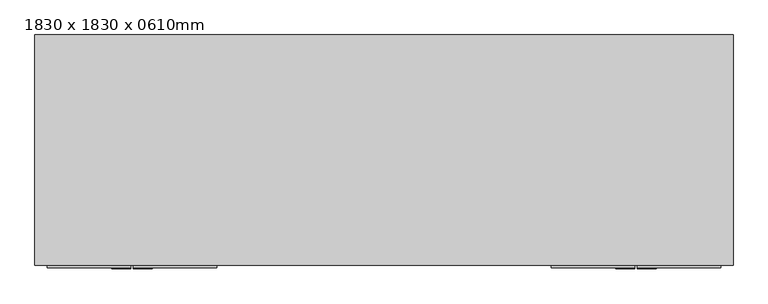
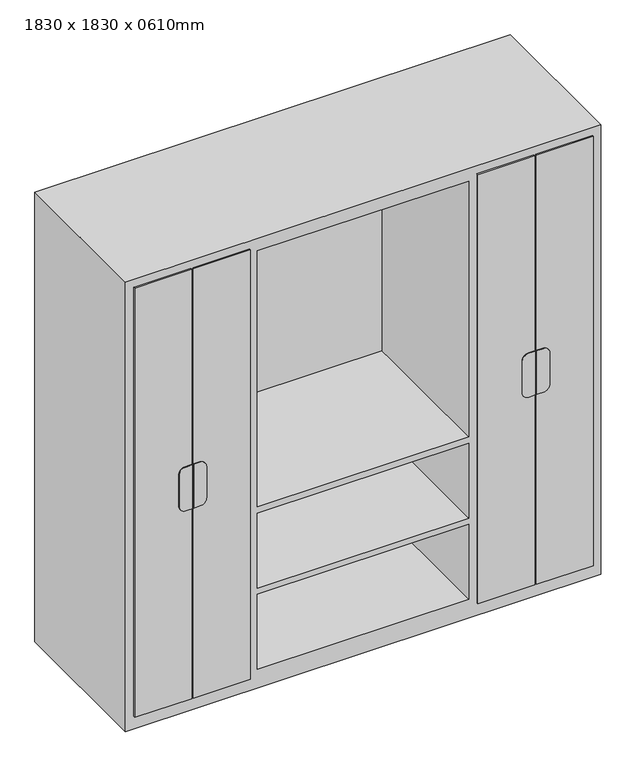
"""IFC4 building model written with IfcOpenShell, lengths in millimetres: furniture geometry, 1830 x 1830 x 0610mm."""

import ifcopenshell
import ifcopenshell.guid

model = None  # the IFC model being written
_history = None  # IfcOwnerHistory: only IFC2X3 demands one
_inside = {}  # id of a spatial element -> (the spatial element, [elements in it])
_under = {}  # id of a project, library or spatial element -> (it, [spatial elements below it])
_declared = {}  # id of a project -> (the project, [libraries it declares])
_typed = {}  # id of a type object -> (the type object, [elements of that type])
_made_of = {}  # id of a material, layer set ... -> (it, [elements and type objects made of it])


def new_model(schema):
    """Start an empty IFC model of exactly this schema.

    Asked for "IFC4X3", IfcOpenShell would pick the latest addendum, in which some entities
    have other attributes; the version numbers below select the first issue.
    IFC2X3 requires an IfcOwnerHistory on every rooted entity: one is made here for all.
    """
    global model, _history
    if schema == "IFC4X3":
        model = ifcopenshell.file(schema_version=(4, 3, 0, 0))
    else:
        model = ifcopenshell.file(schema=schema)
    _inside.clear()
    _under.clear()
    _declared.clear()
    _typed.clear()
    _made_of.clear()
    _history = None
    if model.schema == "IFC2X3":
        org = make("IfcOrganization", Name="unknown")
        user = make(
            "IfcPersonAndOrganization",
            ThePerson=make("IfcPerson", FamilyName="unknown"),
            TheOrganization=org,
        )
        app = make(
            "IfcApplication",
            ApplicationDeveloper=org,
            Version="unknown",
            ApplicationFullName="unknown",
            ApplicationIdentifier="unknown",
        )
        _history = make(
            "IfcOwnerHistory",
            OwningUser=user,
            OwningApplication=app,
            ChangeAction="ADDED",
            CreationDate=0,
        )
    return model


def make(cls, **values):
    """One entity of the class cls with the attributes given. An attribute that is None is left unset."""
    return model.create_entity(
        cls, **{name: value for name, value in values.items() if value is not None}
    )


def rooted(cls, **values):
    """An entity with a GlobalId (a new one), such as an element, a storey or a relation."""
    return make(cls, GlobalId=ifcopenshell.guid.new(), OwnerHistory=_history, **values)


def si_unit(unit_type, name, prefix=None):
    """IfcSIUnit, for example si_unit("LENGTHUNIT", "METRE", prefix="MILLI")."""
    return make("IfcSIUnit", UnitType=unit_type, Prefix=prefix, Name=name)


def assignment(units):
    """IfcUnitAssignment: the units of a project."""
    return None if units is None else make("IfcUnitAssignment", Units=units)


def point(xyz):
    """IfcCartesianPoint."""
    return None if xyz is None else make("IfcCartesianPoint", Coordinates=xyz)


def direction(xyz):
    """IfcDirection."""
    return None if xyz is None else make("IfcDirection", DirectionRatios=xyz)


def frame(location, z_axis=None, x_axis=None):
    """IfcAxis2Placement3D, a coordinate frame: its origin and axes. An axis left out is left unset."""
    return make(
        "IfcAxis2Placement3D",
        Location=point(location),
        Axis=direction(z_axis),
        RefDirection=direction(x_axis),
    )


def frame_2d(location, x_axis=None):
    """IfcAxis2Placement2D, a coordinate frame in the plane: its origin and x axis."""
    return make(
        "IfcAxis2Placement2D", Location=point(location), RefDirection=direction(x_axis)
    )


def origin():
    """The frame at (0, 0, 0) with its axes left unset."""
    return frame((0.0, 0.0, 0.0))


def place(relative_to, where):
    """IfcLocalPlacement: puts the frame where relative to a parent placement (None: the world)."""
    return make(
        "IfcLocalPlacement", PlacementRelTo=relative_to, RelativePlacement=where
    )


def context(
    kind, dimensions, precision=None, world=None, true_north=None, identifier=None
):
    """IfcGeometricRepresentationContext, for example the 3D "Model" context."""
    return make(
        "IfcGeometricRepresentationContext",
        ContextIdentifier=identifier,
        ContextType=kind,
        CoordinateSpaceDimension=dimensions,
        Precision=precision,
        WorldCoordinateSystem=world,
        TrueNorth=true_north,
    )


def project(units=None, contexts=None):
    """IfcProject with its units and contexts."""
    return rooted(
        "IfcProject",
        Name="project",
        RepresentationContexts=contexts,
        UnitsInContext=assignment(units),
    )


def spatial(cls, under=None, at=None, **own):
    """A site, building, storey or space (cls), placed at a placement, below another one or the project."""
    s = rooted(cls, ObjectPlacement=at, **own)
    if under is not None:
        _under.setdefault(under.id(), (under, []))[1].append(s)
    return s


def polyline(points):
    """IfcPolyline through the points."""
    return make("IfcPolyline", Points=[point(p) for p in points])


def circle_curve(where, radius):
    """IfcCircle in the frame where."""
    return make("IfcCircle", Position=where, Radius=radius)


def trimmed(basis, trim1, trim2, sense, master):
    """IfcTrimmedCurve: the piece of a basis curve between two trims."""
    return make(
        "IfcTrimmedCurve",
        BasisCurve=basis,
        Trim1=trim1,
        Trim2=trim2,
        SenseAgreement=sense,
        MasterRepresentation=master,
    )


def segment(curve, same_sense, transition):
    """IfcCompositeCurveSegment."""
    return make(
        "IfcCompositeCurveSegment",
        Transition=transition,
        SameSense=same_sense,
        ParentCurve=curve,
    )


def composite_curve(segments, self_intersect=None):
    """IfcCompositeCurve: segments joined end to end."""
    return make("IfcCompositeCurve", Segments=segments, SelfIntersect=self_intersect)


def outline(outer, holes=None, kind="AREA"):
    """IfcArbitraryClosedProfileDef: a profile drawn as a closed curve; with holes, ...WithVoids."""
    if holes is None:
        return make("IfcArbitraryClosedProfileDef", ProfileType=kind, OuterCurve=outer)
    return make(
        "IfcArbitraryProfileDefWithVoids",
        ProfileType=kind,
        OuterCurve=outer,
        InnerCurves=holes,
    )


def extrude(swept, where, along, depth):
    """IfcExtrudedAreaSolid: the profile swept, set in the frame where, extruded along a direction by depth."""
    return make(
        "IfcExtrudedAreaSolid",
        SweptArea=swept,
        Position=where,
        ExtrudedDirection=direction(along),
        Depth=depth,
    )


def faces_of(points, faces, orient=None, outer=None):
    """IfcFace entities. A face is a list of loops; a loop is a list of indices into points, from 0.

    orient and outer hold one flag for each loop. By default every Orientation is true, the
    first loop of a face is its IfcFaceOuterBound and the others are IfcFaceBound.
    """
    made = []
    for i, loops in enumerate(faces):
        bounds = []
        for j, loop in enumerate(loops):
            is_outer = j == 0 if outer is None else outer[i][j]
            bounds.append(
                make(
                    "IfcFaceOuterBound" if is_outer else "IfcFaceBound",
                    Bound=make("IfcPolyLoop", Polygon=[points[k] for k in loop]),
                    Orientation=True if orient is None else orient[i][j],
                )
            )
        made.append(make("IfcFace", Bounds=bounds))
    return made


def faceted_brep(points, faces, orient=None, outer=None, voids=None):
    """IfcFacetedBrep: a solid bounded by flat faces; with voids (closed shells), ...WithVoids."""
    shared = [point(p) for p in points]
    hull = make("IfcClosedShell", CfsFaces=faces_of(shared, faces, orient, outer))
    if voids is None:
        return make("IfcFacetedBrep", Outer=hull)
    return make(
        "IfcFacetedBrepWithVoids",
        Outer=hull,
        Voids=[
            make(cls, CfsFaces=faces_of(shared, fs, o, b)) for cls, fs, o, b in voids
        ],
    )


def shape(context_of_items, identifier, shape_type, items):
    """IfcShapeRepresentation: the items that make up one representation, for example the "Body"."""
    return make(
        "IfcShapeRepresentation",
        ContextOfItems=context_of_items,
        RepresentationIdentifier=identifier,
        RepresentationType=shape_type,
        Items=items,
    )


def source(mapping_origin, context_of_items, identifier, shape_type, items):
    """IfcRepresentationMap: a shape defined once, which mapped items show again and again."""
    return make(
        "IfcRepresentationMap",
        MappingOrigin=mapping_origin,
        MappedRepresentation=shape(context_of_items, identifier, shape_type, items),
    )


def transform(
    local_origin,
    x_axis=None,
    y_axis=None,
    z_axis=None,
    scale=None,
    scale2=None,
    scale3=None,
    uniform=True,
):
    """IfcCartesianTransformationOperator3D, or its non-uniform kind. x_axis, y_axis, z_axis: its Axis1, 2, 3."""
    if uniform:
        return make(
            "IfcCartesianTransformationOperator3D",
            Axis1=direction(x_axis),
            Axis2=direction(y_axis),
            LocalOrigin=point(local_origin),
            Scale=scale,
            Axis3=direction(z_axis),
        )
    return make(
        "IfcCartesianTransformationOperator3DnonUniform",
        Axis1=direction(x_axis),
        Axis2=direction(y_axis),
        LocalOrigin=point(local_origin),
        Scale=scale,
        Axis3=direction(z_axis),
        Scale2=scale2,
        Scale3=scale3,
    )


def mapped(mapping_source, mapping_target):
    """IfcMappedItem: shows the shape of a source again, moved by a transform."""
    return make(
        "IfcMappedItem", MappingSource=mapping_source, MappingTarget=mapping_target
    )


def made_of(thing, what):
    """Note that an element or type object is made of a material, layer set ...; save() writes the relation."""
    if what is not None:
        _made_of.setdefault(what.id(), (what, []))[1].append(thing)
    return thing


def element(
    cls,
    number,
    at=None,
    inside=None,
    cuts=None,
    type_object=None,
    material=None,
    context=None,
    identifier="Body",
    shape_type=None,
    held_by="IfcProductDefinitionShape",
    body=None,
    shapes=None,
    **own,
):
    """One element of the class cls, such as IfcWall. Its Tag is "e" and its number.

    at: its placement. inside: the storey or other place that contains it. cuts: it is an
    opening in that element (IfcRelVoidsElement). A single representation is given by context,
    identifier, shape_type and body (its items); several are given by shapes. held_by: the class
    of the entity that holds the representations. save() writes the other relations.
    """
    e = rooted(cls, Tag="e%d" % number, ObjectPlacement=at, **own)
    if body is not None:
        shapes = [shape(context, identifier, shape_type, body)]
    if shapes is not None:
        e.Representation = make(held_by, Representations=shapes)
    if inside is not None:
        _inside.setdefault(inside.id(), (inside, []))[1].append(e)
    if cuts is not None:
        rooted(
            "IfcRelVoidsElement", RelatingBuildingElement=cuts, RelatedOpeningElement=e
        )
    if type_object is not None:
        _typed.setdefault(type_object.id(), (type_object, []))[1].append(e)
    return made_of(e, material)


def aggregate(whole, parts):
    """IfcRelAggregates: a whole, such as a stair, and the parts it consists of."""
    return rooted("IfcRelAggregates", RelatingObject=whole, RelatedObjects=parts)


def save(model, path):
    """Write the relations noted so far, then the file.

    IfcRelAggregates (storeys below a building ...), IfcRelContainedInSpatialStructure (elements
    in a storey), IfcRelDefinesByType, IfcRelAssociatesMaterial and IfcRelDeclares: one each for
    every whole, place, type object, material and project.
    """
    for whole, parts in _under.values():
        aggregate(whole, parts)
    for where, things in _inside.values():
        rooted(
            "IfcRelContainedInSpatialStructure",
            RelatedElements=things,
            RelatingStructure=where,
        )
    for kind, things in _typed.values():
        rooted("IfcRelDefinesByType", RelatedObjects=things, RelatingType=kind)
    for what, things in _made_of.values():
        rooted("IfcRelAssociatesMaterial", RelatedObjects=things, RelatingMaterial=what)
    for by, libraries in _declared.values():
        rooted("IfcRelDeclares", RelatingContext=by, RelatedDefinitions=libraries)
    model.write(path)


def furniture_1830_x_1830_x_0610mm_f77a9b93(model_context):
    return source(origin(), model_context, "Body", "SolidModel", [
        faceted_brep([(915.0, -705.05, 0.0), (915.0, -705.05, 1830.0), (-915.0, -705.05, 1830.0), (-915.0, -705.05, 0.0), (-457.3, -705.05, 1779.2), (-457.3, -705.05, 1385.2), (-864.2, -705.05, 1385.2), (-864.2, -705.05, 1779.2), (-457.3, -705.05, 76.2), (-864.2, -705.05, 76.2), (-864.2, -705.05, 444.8), (-457.3, -705.05, 444.8), (864.2, -705.05, 1385.2), (457.3, -705.05, 1385.2), (457.3, -705.05, 1779.2), (864.2, -705.05, 1779.2), (-406.5, -705.05, 737.2), (-406.5, -705.05, 1779.2), (406.5, -705.05, 1779.2), (406.5, -705.05, 737.2), (406.5, -705.05, 76.2), (-406.5, -705.05, 76.2), (-406.5, -705.05, 381.3), (406.5, -705.05, 381.3), (864.2, -705.05, 76.2), (457.3, -705.05, 76.2), (457.3, -705.05, 444.8), (864.2, -705.05, 444.8), (-864.2, -705.05, 470.2), (-864.2, -705.05, 902.3), (-457.3, -705.05, 902.3), (-457.3, -705.05, 470.2), (-457.3, -705.05, 1359.8), (-457.3, -705.05, 927.7), (-864.2, -705.05, 927.7), (-864.2, -705.05, 1359.8), (457.3, -705.05, 1359.8), (864.2, -705.05, 1359.8), (864.2, -705.05, 927.7), (457.3, -705.05, 927.7), (457.3, -705.05, 902.3), (864.2, -705.05, 902.3), (864.2, -705.05, 470.2), (457.3, -705.05, 470.2), (406.5, -705.05, 406.7), (-406.5, -705.05, 406.7), (-406.5, -705.05, 711.8), (406.5, -705.05, 711.8), (915.0, -101.4, 0.0), (-915.0, -101.4, 0.0), (-915.0, -101.4, 1830.0), (915.0, -101.4, 1830.0), (-457.3, -126.8, 1779.2), (-457.3, -126.8, 1385.2), (-864.2, -126.8, 1385.2), (-864.2, -126.8, 1779.2), (-457.3, -126.8, 76.2), (-864.2, -126.8, 76.2), (-864.2, -126.8, 444.8), (-457.3, -126.8, 444.8), (864.2, -126.8, 1385.2), (457.3, -126.8, 1385.2), (457.3, -126.8, 1779.2), (864.2, -126.8, 1779.2), (-406.5, -126.8, 737.2), (-406.5, -126.8, 1779.2), (406.5, -126.8, 1779.2), (406.5, -126.8, 737.2), (406.5, -126.8, 76.2), (-406.5, -126.8, 76.2), (-406.5, -126.8, 381.3), (406.5, -126.8, 381.3), (864.2, -126.8, 76.2), (457.3, -126.8, 76.2), (457.3, -126.8, 444.8), (864.2, -126.8, 444.8), (-864.2, -126.8, 470.2), (-864.2, -126.8, 902.3), (-457.3, -126.8, 902.3), (-457.3, -126.8, 470.2), (-457.3, -126.8, 1359.8), (-457.3, -126.8, 927.7), (-864.2, -126.8, 927.7), (-864.2, -126.8, 1359.8), (457.3, -126.8, 1359.8), (864.2, -126.8, 1359.8), (864.2, -126.8, 927.7), (457.3, -126.8, 927.7), (457.3, -126.8, 902.3), (864.2, -126.8, 902.3), (864.2, -126.8, 470.2), (457.3, -126.8, 470.2), (406.5, -126.8, 406.7), (-406.5, -126.8, 406.7), (-406.5, -126.8, 711.8), (406.5, -126.8, 711.8)], [[[0, 1, 2, 3], [4, 5, 6, 7], [8, 9, 10, 11], [12, 13, 14, 15], [16, 17, 18, 19], [20, 21, 22, 23], [24, 25, 26, 27], [28, 29, 30, 31], [32, 33, 34, 35], [36, 37, 38, 39], [40, 41, 42, 43], [44, 45, 46, 47]], [[48, 49, 50, 51]], [[1, 0, 48, 51]], [[2, 1, 51, 50]], [[3, 2, 50, 49]], [[0, 3, 49, 48]], [[5, 4, 52, 53]], [[6, 5, 53, 54]], [[7, 6, 54, 55]], [[4, 7, 55, 52]], [[9, 8, 56, 57]], [[10, 9, 57, 58]], [[11, 10, 58, 59]], [[8, 11, 59, 56]], [[13, 12, 60, 61]], [[14, 13, 61, 62]], [[15, 14, 62, 63]], [[12, 15, 63, 60]], [[17, 16, 64, 65]], [[18, 17, 65, 66]], [[19, 18, 66, 67]], [[16, 19, 67, 64]], [[21, 20, 68, 69]], [[22, 21, 69, 70]], [[23, 22, 70, 71]], [[20, 23, 71, 68]], [[25, 24, 72, 73]], [[26, 25, 73, 74]], [[27, 26, 74, 75]], [[24, 27, 75, 72]], [[29, 28, 76, 77]], [[30, 29, 77, 78]], [[31, 30, 78, 79]], [[28, 31, 79, 76]], [[33, 32, 80, 81]], [[34, 33, 81, 82]], [[35, 34, 82, 83]], [[32, 35, 83, 80]], [[37, 36, 84, 85]], [[38, 37, 85, 86]], [[39, 38, 86, 87]], [[36, 39, 87, 84]], [[41, 40, 88, 89]], [[42, 41, 89, 90]], [[43, 42, 90, 91]], [[40, 43, 91, 88]], [[45, 44, 92, 93]], [[46, 45, 93, 94]], [[47, 46, 94, 95]], [[44, 47, 95, 92]], [[53, 52, 55, 54]], [[57, 56, 59, 58]], [[61, 60, 63, 62]], [[65, 64, 67, 66]], [[69, 68, 71, 70]], [[73, 72, 75, 74]], [[77, 76, 79, 78]], [[81, 80, 83, 82]], [[85, 84, 87, 86]], [[89, 88, 91, 90]], [[93, 92, 95, 94]]]),
        extrude(outline(composite_curve([segment(polyline([(1003.9, -633.3486452), (1003.9, -657.575), (826.1, -657.575), (826.1, -633.3486452)]), True, "CONTINUOUS"), segment(trimmed(circle_curve(frame_2d((851.5, -633.3486452)), 25.4), [point((826.1, -633.3486452))], [point((851.5, -607.9486452))], False, "CARTESIAN"), True, "CONTINUOUS"), segment(polyline([(851.5, -607.9486452), (978.5, -607.9486452)]), True, "CONTINUOUS"), segment(trimmed(circle_curve(frame_2d((978.5, -633.3486452)), 25.4), [point((978.5, -607.9486452))], [point((1003.9, -633.3486452))], False, "CARTESIAN"), True, "CONTINUOUS")], self_intersect=False)), frame((0.0, -714.575, 0.0), z_axis=(0.0, 1.0, 0.0), x_axis=(0.0, 0.0, 1.0)), (0.0, 0.0, 1.0), 3.175),
        extrude(outline(composite_curve([segment(trimmed(circle_curve(frame_2d((978.5, -688.53125)), 25.4), [point((1003.9, -688.53125))], [point((978.5, -713.93125))], False, "CARTESIAN"), True, "CONTINUOUS"), segment(polyline([(978.5, -713.93125), (851.5, -713.93125)]), True, "CONTINUOUS"), segment(trimmed(circle_curve(frame_2d((851.5, -688.53125)), 25.4), [point((851.5, -713.93125))], [point((826.1, -688.53125))], False, "CARTESIAN"), True, "CONTINUOUS"), segment(polyline([(826.1, -688.53125), (826.1, -663.925), (1003.9, -663.925), (1003.9, -688.53125)]), True, "CONTINUOUS")], self_intersect=False)), frame((0.0, -714.575, 0.0), z_axis=(0.0, 1.0, 0.0), x_axis=(0.0, 0.0, 1.0)), (0.0, 0.0, 1.0), 3.175),
        extrude(outline(composite_curve([segment(trimmed(circle_curve(frame_2d((978.5, 633.3486452)), 25.4), [point((1003.9, 633.3486452))], [point((978.5, 607.9486452))], False, "CARTESIAN"), True, "CONTINUOUS"), segment(polyline([(978.5, 607.9486452), (851.5, 607.9486452)]), True, "CONTINUOUS"), segment(trimmed(circle_curve(frame_2d((851.5, 633.3486452)), 25.4), [point((851.5, 607.9486452))], [point((826.1, 633.3486452))], False, "CARTESIAN"), True, "CONTINUOUS"), segment(polyline([(826.1, 633.3486452), (826.1, 657.575), (1003.9, 657.575), (1003.9, 633.3486452)]), True, "CONTINUOUS")], self_intersect=False)), frame((0.0, -714.575, 0.0), z_axis=(0.0, 1.0, 0.0), x_axis=(0.0, 0.0, 1.0)), (0.0, 0.0, 1.0), 3.175),
        extrude(outline(composite_curve([segment(polyline([(1003.9, 688.53125), (1003.9, 663.925), (826.1, 663.925), (826.1, 688.53125)]), True, "CONTINUOUS"), segment(trimmed(circle_curve(frame_2d((851.5, 688.53125)), 25.4), [point((826.1, 688.53125))], [point((851.5, 713.93125))], False, "CARTESIAN"), True, "CONTINUOUS"), segment(polyline([(851.5, 713.93125), (978.5, 713.93125)]), True, "CONTINUOUS"), segment(trimmed(circle_curve(frame_2d((978.5, 688.53125)), 25.4), [point((978.5, 713.93125))], [point((1003.9, 688.53125))], False, "CARTESIAN"), True, "CONTINUOUS")], self_intersect=False)), frame((0.0, -714.575, 0.0), z_axis=(0.0, 1.0, 0.0), x_axis=(0.0, 0.0, 1.0)), (0.0, 0.0, 1.0), 3.175),
        extrude(outline(polyline([(-883.25, -705.05), (-663.925, -705.05), (-663.925, -711.4), (-883.25, -711.4), (-883.25, -705.05)])), frame((0.0, 0.0, 50.8), z_axis=(0.0, 0.0, 1.0), x_axis=(1.0, 0.0, 0.0)), (0.0, 0.0, 1.0), 1747.45),
        extrude(outline(polyline([(-657.575, -705.05), (-438.25, -705.05), (-438.25, -711.4), (-657.575, -711.4), (-657.575, -705.05)])), frame((0.0, 0.0, 50.8), z_axis=(0.0, 0.0, 1.0), x_axis=(1.0, 0.0, 0.0)), (0.0, 0.0, 1.0), 1747.45),
        extrude(outline(polyline([(663.925, -705.05), (883.25, -705.05), (883.25, -711.4), (663.925, -711.4), (663.925, -705.05)])), frame((0.0, 0.0, 50.8), z_axis=(0.0, 0.0, 1.0), x_axis=(1.0, 0.0, 0.0)), (0.0, 0.0, 1.0), 1747.45),
        extrude(outline(polyline([(438.25, -705.05), (657.575, -705.05), (657.575, -711.4), (438.25, -711.4), (438.25, -705.05)])), frame((0.0, 0.0, 50.8), z_axis=(0.0, 0.0, 1.0), x_axis=(1.0, 0.0, 0.0)), (0.0, 0.0, 1.0), 1747.45),
    ])


if __name__ == "__main__":
    model = new_model("IFC4")
    model_context = context("Model", 3, world=origin())
    ifc_project = project(units=[si_unit("LENGTHUNIT", "METRE", prefix="MILLI")], contexts=[model_context])
    site = spatial("IfcSite", under=ifc_project)
    building = spatial("IfcBuilding", under=site)
    placement = place(None, origin())
    furniture_1830_x_1830_x_0610mm_shape = furniture_1830_x_1830_x_0610mm_f77a9b93(model_context)
    element("IfcFurniture", 1, ObjectType="1830 x 1830 x 0610mm", at=placement, inside=building, context=model_context, shape_type="MappedRepresentation", body=[
        mapped(furniture_1830_x_1830_x_0610mm_shape, transform((0.0, 0.0, 0.0), x_axis=(1.0, 0.0, 0.0), y_axis=(0.0, 1.0, 0.0), z_axis=(0.0, 0.0, 1.0))),
    ])
    save(model, "model.ifc")
